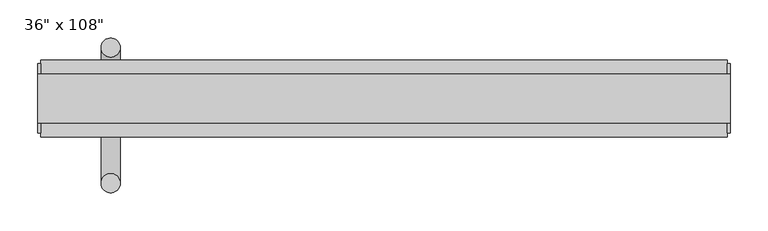
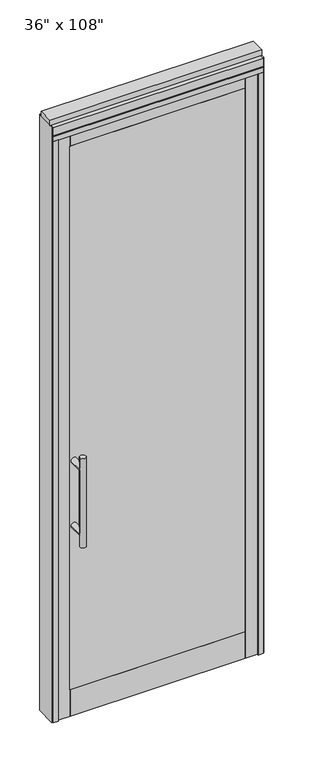
"""IFC4 building model written with IfcOpenShell, lengths in millimetres: furniture geometry."""

import ifcopenshell
import ifcopenshell.guid

model = None  # the IFC model being written
_history = None  # IfcOwnerHistory: only IFC2X3 demands one
_inside = {}  # id of a spatial element -> (the spatial element, [elements in it])
_under = {}  # id of a project, library or spatial element -> (it, [spatial elements below it])
_declared = {}  # id of a project -> (the project, [libraries it declares])
_typed = {}  # id of a type object -> (the type object, [elements of that type])
_made_of = {}  # id of a material, layer set ... -> (it, [elements and type objects made of it])


def new_model(schema):
    """Start an empty IFC model of exactly this schema.

    Asked for "IFC4X3", IfcOpenShell would pick the latest addendum, in which some entities
    have other attributes; the version numbers below select the first issue.
    IFC2X3 requires an IfcOwnerHistory on every rooted entity: one is made here for all.
    """
    global model, _history
    if schema == "IFC4X3":
        model = ifcopenshell.file(schema_version=(4, 3, 0, 0))
    else:
        model = ifcopenshell.file(schema=schema)
    _inside.clear()
    _under.clear()
    _declared.clear()
    _typed.clear()
    _made_of.clear()
    _history = None
    if model.schema == "IFC2X3":
        org = make("IfcOrganization", Name="unknown")
        user = make(
            "IfcPersonAndOrganization",
            ThePerson=make("IfcPerson", FamilyName="unknown"),
            TheOrganization=org,
        )
        app = make(
            "IfcApplication",
            ApplicationDeveloper=org,
            Version="unknown",
            ApplicationFullName="unknown",
            ApplicationIdentifier="unknown",
        )
        _history = make(
            "IfcOwnerHistory",
            OwningUser=user,
            OwningApplication=app,
            ChangeAction="ADDED",
            CreationDate=0,
        )
    return model


def make(cls, **values):
    """One entity of the class cls with the attributes given. An attribute that is None is left unset."""
    return model.create_entity(
        cls, **{name: value for name, value in values.items() if value is not None}
    )


def rooted(cls, **values):
    """An entity with a GlobalId (a new one), such as an element, a storey or a relation."""
    return make(cls, GlobalId=ifcopenshell.guid.new(), OwnerHistory=_history, **values)


def si_unit(unit_type, name, prefix=None):
    """IfcSIUnit, for example si_unit("LENGTHUNIT", "METRE", prefix="MILLI")."""
    return make("IfcSIUnit", UnitType=unit_type, Prefix=prefix, Name=name)


def assignment(units):
    """IfcUnitAssignment: the units of a project."""
    return None if units is None else make("IfcUnitAssignment", Units=units)


def point(xyz):
    """IfcCartesianPoint."""
    return None if xyz is None else make("IfcCartesianPoint", Coordinates=xyz)


def direction(xyz):
    """IfcDirection."""
    return None if xyz is None else make("IfcDirection", DirectionRatios=xyz)


def frame(location, z_axis=None, x_axis=None):
    """IfcAxis2Placement3D, a coordinate frame: its origin and axes. An axis left out is left unset."""
    return make(
        "IfcAxis2Placement3D",
        Location=point(location),
        Axis=direction(z_axis),
        RefDirection=direction(x_axis),
    )


def origin():
    """The frame at (0, 0, 0) with its axes left unset."""
    return frame((0.0, 0.0, 0.0))


def origin_with_axes():
    """The frame at (0, 0, 0) with the z axis (0, 0, 1) and the x axis (1, 0, 0) written out."""
    return frame((0.0, 0.0, 0.0), z_axis=(0.0, 0.0, 1.0), x_axis=(1.0, 0.0, 0.0))


def place(relative_to, where):
    """IfcLocalPlacement: puts the frame where relative to a parent placement (None: the world)."""
    return make(
        "IfcLocalPlacement", PlacementRelTo=relative_to, RelativePlacement=where
    )


def context(
    kind, dimensions, precision=None, world=None, true_north=None, identifier=None
):
    """IfcGeometricRepresentationContext, for example the 3D "Model" context."""
    return make(
        "IfcGeometricRepresentationContext",
        ContextIdentifier=identifier,
        ContextType=kind,
        CoordinateSpaceDimension=dimensions,
        Precision=precision,
        WorldCoordinateSystem=world,
        TrueNorth=true_north,
    )


def project(units=None, contexts=None):
    """IfcProject with its units and contexts."""
    return rooted(
        "IfcProject",
        Name="project",
        RepresentationContexts=contexts,
        UnitsInContext=assignment(units),
    )


def spatial(cls, under=None, at=None, **own):
    """A site, building, storey or space (cls), placed at a placement, below another one or the project."""
    s = rooted(cls, ObjectPlacement=at, **own)
    if under is not None:
        _under.setdefault(under.id(), (under, []))[1].append(s)
    return s


def polyline(points):
    """IfcPolyline through the points."""
    return make("IfcPolyline", Points=[point(p) for p in points])


def circle_curve(where, radius):
    """IfcCircle in the frame where."""
    return make("IfcCircle", Position=where, Radius=radius)


def ellipse_curve(where, semi_axis1, semi_axis2):
    """IfcEllipse in the frame where."""
    return make(
        "IfcEllipse", Position=where, SemiAxis1=semi_axis1, SemiAxis2=semi_axis2
    )


def outline(outer, holes=None, kind="AREA"):
    """IfcArbitraryClosedProfileDef: a profile drawn as a closed curve; with holes, ...WithVoids."""
    if holes is None:
        return make("IfcArbitraryClosedProfileDef", ProfileType=kind, OuterCurve=outer)
    return make(
        "IfcArbitraryProfileDefWithVoids",
        ProfileType=kind,
        OuterCurve=outer,
        InnerCurves=holes,
    )


def extrude(swept, where, along, depth):
    """IfcExtrudedAreaSolid: the profile swept, set in the frame where, extruded along a direction by depth."""
    return make(
        "IfcExtrudedAreaSolid",
        SweptArea=swept,
        Position=where,
        ExtrudedDirection=direction(along),
        Depth=depth,
    )


def shape(context_of_items, identifier, shape_type, items):
    """IfcShapeRepresentation: the items that make up one representation, for example the "Body"."""
    return make(
        "IfcShapeRepresentation",
        ContextOfItems=context_of_items,
        RepresentationIdentifier=identifier,
        RepresentationType=shape_type,
        Items=items,
    )


def source(mapping_origin, context_of_items, identifier, shape_type, items):
    """IfcRepresentationMap: a shape defined once, which mapped items show again and again."""
    return make(
        "IfcRepresentationMap",
        MappingOrigin=mapping_origin,
        MappedRepresentation=shape(context_of_items, identifier, shape_type, items),
    )


def transform(
    local_origin,
    x_axis=None,
    y_axis=None,
    z_axis=None,
    scale=None,
    scale2=None,
    scale3=None,
    uniform=True,
):
    """IfcCartesianTransformationOperator3D, or its non-uniform kind. x_axis, y_axis, z_axis: its Axis1, 2, 3."""
    if uniform:
        return make(
            "IfcCartesianTransformationOperator3D",
            Axis1=direction(x_axis),
            Axis2=direction(y_axis),
            LocalOrigin=point(local_origin),
            Scale=scale,
            Axis3=direction(z_axis),
        )
    return make(
        "IfcCartesianTransformationOperator3DnonUniform",
        Axis1=direction(x_axis),
        Axis2=direction(y_axis),
        LocalOrigin=point(local_origin),
        Scale=scale,
        Axis3=direction(z_axis),
        Scale2=scale2,
        Scale3=scale3,
    )


def mapped(mapping_source, mapping_target):
    """IfcMappedItem: shows the shape of a source again, moved by a transform."""
    return make(
        "IfcMappedItem", MappingSource=mapping_source, MappingTarget=mapping_target
    )


def made_of(thing, what):
    """Note that an element or type object is made of a material, layer set ...; save() writes the relation."""
    if what is not None:
        _made_of.setdefault(what.id(), (what, []))[1].append(thing)
    return thing


def element(
    cls,
    number,
    at=None,
    inside=None,
    cuts=None,
    type_object=None,
    material=None,
    context=None,
    identifier="Body",
    shape_type=None,
    held_by="IfcProductDefinitionShape",
    body=None,
    shapes=None,
    **own,
):
    """One element of the class cls, such as IfcWall. Its Tag is "e" and its number.

    at: its placement. inside: the storey or other place that contains it. cuts: it is an
    opening in that element (IfcRelVoidsElement). A single representation is given by context,
    identifier, shape_type and body (its items); several are given by shapes. held_by: the class
    of the entity that holds the representations. save() writes the other relations.
    """
    e = rooted(cls, Tag="e%d" % number, ObjectPlacement=at, **own)
    if body is not None:
        shapes = [shape(context, identifier, shape_type, body)]
    if shapes is not None:
        e.Representation = make(held_by, Representations=shapes)
    if inside is not None:
        _inside.setdefault(inside.id(), (inside, []))[1].append(e)
    if cuts is not None:
        rooted(
            "IfcRelVoidsElement", RelatingBuildingElement=cuts, RelatedOpeningElement=e
        )
    if type_object is not None:
        _typed.setdefault(type_object.id(), (type_object, []))[1].append(e)
    return made_of(e, material)


def aggregate(whole, parts):
    """IfcRelAggregates: a whole, such as a stair, and the parts it consists of."""
    return rooted("IfcRelAggregates", RelatingObject=whole, RelatedObjects=parts)


def save(model, path):
    """Write the relations noted so far, then the file.

    IfcRelAggregates (storeys below a building ...), IfcRelContainedInSpatialStructure (elements
    in a storey), IfcRelDefinesByType, IfcRelAssociatesMaterial and IfcRelDeclares: one each for
    every whole, place, type object, material and project.
    """
    for whole, parts in _under.values():
        aggregate(whole, parts)
    for where, things in _inside.values():
        rooted(
            "IfcRelContainedInSpatialStructure",
            RelatedElements=things,
            RelatingStructure=where,
        )
    for kind, things in _typed.values():
        rooted("IfcRelDefinesByType", RelatedObjects=things, RelatingType=kind)
    for what, things in _made_of.values():
        rooted("IfcRelAssociatesMaterial", RelatedObjects=things, RelatingMaterial=what)
    for by, libraries in _declared.values():
        rooted("IfcRelDeclares", RelatingContext=by, RelatedDefinitions=libraries)
    model.write(path)


def plane_surface(at):
    """IfcPlane: the flat surface through the origin of the frame at, square to its z axis."""
    return make("IfcPlane", Position=at)


def cylinder_surface(at, radius):
    """IfcCylindricalSurface: all points at the distance radius from the z axis of the frame at."""
    return make("IfcCylindricalSurface", Position=at, Radius=radius)


def advanced_brep(points, edges, surfaces, faces):
    """IfcAdvancedBrep: a solid bounded by faces that lie on surfaces and meet in shared edges.

    An edge is (start, end): straight between two places in points (the first is 0);
    or (start, end, curve); or (start, end, curve, False) where it runs against its curve.
    A face is (place in surfaces, loops), or (place, loops, False) where it looks against
    its surface's normal. A loop lists edges by number (the first is 1), with a minus sign
    where the edge is run from its end to its start. The first loop is the outer one.
    """
    corners = [point(p) for p in points]
    vertices = [make("IfcVertexPoint", VertexGeometry=c) for c in corners]
    made = []
    for start, end, *more in edges:
        made.append(
            make(
                "IfcEdgeCurve",
                EdgeStart=vertices[start],
                EdgeEnd=vertices[end],
                EdgeGeometry=more[0] if more else make("IfcPolyline", Points=[corners[start], corners[end]]),
                SameSense=more[1] if len(more) > 1 else True,
            )
        )
    hull = []
    for where, loops, *sense in faces:
        bounds = []
        for j, loop in enumerate(loops):
            ring = [make("IfcOrientedEdge", EdgeElement=made[abs(k) - 1], Orientation=k > 0) for k in loop]
            bounds.append(
                make(
                    "IfcFaceOuterBound" if j == 0 else "IfcFaceBound",
                    Bound=make("IfcEdgeLoop", EdgeList=ring),
                    Orientation=True,
                )
            )
        hull.append(make("IfcAdvancedFace", Bounds=bounds, FaceSurface=surfaces[where], SameSense=sense[0] if sense else True))
    return make("IfcAdvancedBrep", Outer=make("IfcClosedShell", CfsFaces=hull))


def furniture_453abb3c(model_context):
    return source(origin(), model_context, "Body", "SolidModel", [
        extrude(outline(polyline([(317.6614771, -48.9677216), (-437.7345229, -48.9677216), (-437.7345229, -38.8077216), (317.6614771, -38.8077216), (317.6614771, -48.9677216)])), frame((0.0, 0.0, 120.65), z_axis=(0.0, 0.0, 1.0), x_axis=(1.0, 0.0, 0.0)), (0.0, 0.0, 1.0), 2482.85),
        extrude(outline(polyline([(317.6614771, -14.6777216), (-437.7345229, -14.6777216), (-437.7345229, -4.5177216), (317.6614771, -4.5177216), (317.6614771, -14.6777216)])), frame((0.0, 0.0, 120.65), z_axis=(0.0, 0.0, 1.0), x_axis=(1.0, 0.0, 0.0)), (0.0, 0.0, 1.0), 2482.85),
        advanced_brep(
        [(-433.7975229, 63.0462784, 1219.2), (-408.3975229, 63.0462784, 1219.2), (-433.7975229, 63.0462784, 812.8), (-408.3975229, 63.0462784, 812.8), (-408.3975229, 63.0462784, 1164.336), (-408.3975229, 63.0462784, 867.664), (-433.7975229, 63.0462784, 867.664), (-433.7975229, 63.0462784, 1164.336), (-433.7975229, -4.5177216, 1164.336), (-408.3975229, -4.5177216, 1164.336), (-433.7975229, -4.5177216, 867.664), (-408.3975229, -4.5177216, 867.664)],
        [
            (0, 1, circle_curve(frame((-421.0975229, 63.0462784, 1219.2), z_axis=(0.0, 0.0, 1.0), x_axis=(1.0, 0.0, 0.0)), 12.7)),
            (1, 0, circle_curve(frame((-421.0975229, 63.0462784, 1219.2), z_axis=(0.0, 0.0, 1.0), x_axis=(1.0, 0.0, 0.0)), 12.7)),
            (2, 3, circle_curve(frame((-421.0975229, 63.0462784, 812.8), z_axis=(0.0, 0.0, -1.0), x_axis=(1.0, 0.0, 0.0)), 12.7)),
            (3, 2, circle_curve(frame((-421.0975229, 63.0462784, 812.8), z_axis=(0.0, 0.0, -1.0), x_axis=(1.0, 0.0, 0.0)), 12.7)),
            (1, 4),
            (4, 5),
            (5, 3),
            (2, 6),
            (6, 7),
            (7, 0),
            (6, 5, ellipse_curve(frame((-421.0975229, 63.0462784, 867.664), z_axis=(0.0, 0.707106781186565, 0.70710678118653), x_axis=(0.0, -0.70710678118653, 0.707106781186565)), 17.9605122, 12.7)),
            (4, 7, ellipse_curve(frame((-421.0975229, 63.0462784, 1164.336), z_axis=(0.0, 0.70710678118653, -0.7071067811865649), x_axis=(0.0, 0.7071067811865648, 0.7071067811865301)), 17.9605122, 12.7)),
            (7, 4, ellipse_curve(frame((-421.0975229, 63.0462784, 1164.336), z_axis=(0.0, 0.707106781186565, 0.70710678118653), x_axis=(0.0, -0.70710678118653, 0.707106781186565)), 17.9605122, 12.7)),
            (5, 6, ellipse_curve(frame((-421.0975229, 63.0462784, 867.664), z_axis=(0.0, 0.70710678118653, -0.7071067811865649), x_axis=(0.0, 0.7071067811865648, 0.7071067811865301)), 17.9605122, 12.7)),
            (8, 9, circle_curve(frame((-421.0975229, -4.5177216, 1164.336), z_axis=(0.0, -1.0, 0.0), x_axis=(1.0, 0.0, 0.0)), 12.7)),
            (9, 8, circle_curve(frame((-421.0975229, -4.5177216, 1164.336), z_axis=(0.0, -1.0, 0.0), x_axis=(1.0, 0.0, 0.0)), 12.7)),
            (8, 7),
            (4, 9),
            (10, 11, circle_curve(frame((-421.0975229, -4.5177216, 867.664), z_axis=(0.0, -1.0, 0.0), x_axis=(1.0, 0.0, 0.0)), 12.7)),
            (11, 10, circle_curve(frame((-421.0975229, -4.5177216, 867.664), z_axis=(0.0, -1.0, 0.0), x_axis=(1.0, 0.0, 0.0)), 12.7)),
            (10, 6),
            (5, 11),
        ],
        [
            plane_surface(frame((-408.3975229, 63.0462784, 1219.2), z_axis=(0.0, 0.0, 1.0), x_axis=(0.0, -1.0, 0.0))),
            plane_surface(frame((-408.3975229, 63.0462784, 812.8), z_axis=(0.0, 0.0, -1.0), x_axis=(0.0, 1.0, 0.0))),
            cylinder_surface(frame((-421.0975229, 63.0462784, 812.8), z_axis=(0.0, 0.0, 1.0), x_axis=(1.0, 0.0, 0.0)), 12.7),
            plane_surface(frame((-408.3975229, -4.5177216, 1164.336), z_axis=(0.0, -1.0, 0.0), x_axis=(0.0, 0.0, -1.0))),
            cylinder_surface(frame((-421.0975229, -4.5177216, 1164.336), z_axis=(0.0, 1.0, 0.0), x_axis=(1.0, 0.0, 0.0)), 12.7),
            plane_surface(frame((-408.3975229, -4.5177216, 867.664), z_axis=(0.0, -1.0, 0.0), x_axis=(0.0, 0.0, -1.0))),
            cylinder_surface(frame((-421.0975229, -4.5177216, 867.664), z_axis=(0.0, 1.0, 0.0), x_axis=(1.0, 0.0, 0.0)), 12.7),
        ],
        [
            (0, [[1, 2]]),
            (1, [[3, 4]]),
            (2, [[5, 6, 7, -3, 8, 9, 10, -2]]),
            (2, [[-9, 11, -6, 12]]),
            (2, [[-10, 13, -5, -1]]),
            (2, [[-7, 14, -8, -4]]),
            (3, [[15, 16]]),
            (4, [[17, -12, 18, -15]]),
            (4, [[-18, -13, -17, -16]]),
            (5, [[19, 20]]),
            (6, [[21, -14, 22, -19]]),
            (6, [[-22, -11, -21, -20]]),
        ],
    ),
        advanced_brep(
        [(-433.7975229, -116.5317216, 1219.2), (-408.3975229, -116.5317216, 1219.2), (-433.7975229, -116.5317216, 812.8), (-408.3975229, -116.5317216, 812.8), (-433.7975229, -116.5317216, 1164.336), (-433.7975229, -116.5317216, 867.664), (-408.3975229, -116.5317216, 867.664), (-408.3975229, -116.5317216, 1164.336), (-433.7975229, -48.9677216, 1164.336), (-408.3975229, -48.9677216, 1164.336), (-433.7975229, -48.9677216, 867.664), (-408.3975229, -48.9677216, 867.664)],
        [
            (0, 1, circle_curve(frame((-421.0975229, -116.5317216, 1219.2), z_axis=(0.0, 0.0, 1.0), x_axis=(1.0, 0.0, 0.0)), 12.7)),
            (1, 0, circle_curve(frame((-421.0975229, -116.5317216, 1219.2), z_axis=(0.0, 0.0, 1.0), x_axis=(1.0, 0.0, 0.0)), 12.7)),
            (2, 3, circle_curve(frame((-421.0975229, -116.5317216, 812.8), z_axis=(0.0, 0.0, -1.0), x_axis=(1.0, 0.0, 0.0)), 12.7)),
            (3, 2, circle_curve(frame((-421.0975229, -116.5317216, 812.8), z_axis=(0.0, 0.0, -1.0), x_axis=(1.0, 0.0, 0.0)), 12.7)),
            (0, 4),
            (4, 5),
            (5, 2),
            (3, 6),
            (6, 7),
            (7, 1),
            (7, 4, ellipse_curve(frame((-421.0975229, -116.5317216, 1164.336), z_axis=(0.0, -0.707106781186565, 0.70710678118653), x_axis=(0.0, 0.70710678118653, 0.707106781186565)), 17.9605122, 12.7)),
            (5, 6, ellipse_curve(frame((-421.0975229, -116.5317216, 867.664), z_axis=(0.0, -0.70710678118653, -0.7071067811865649), x_axis=(0.0, -0.7071067811865648, 0.7071067811865301)), 17.9605122, 12.7)),
            (4, 7, ellipse_curve(frame((-421.0975229, -116.5317216, 1164.336), z_axis=(0.0, -0.70710678118653, -0.7071067811865649), x_axis=(0.0, -0.7071067811865648, 0.7071067811865301)), 17.9605122, 12.7)),
            (6, 5, ellipse_curve(frame((-421.0975229, -116.5317216, 867.664), z_axis=(0.0, -0.707106781186565, 0.70710678118653), x_axis=(0.0, 0.70710678118653, 0.707106781186565)), 17.9605122, 12.7)),
            (8, 9, circle_curve(frame((-421.0975229, -48.9677216, 1164.336), z_axis=(0.0, 1.0, 0.0), x_axis=(1.0, 0.0, 0.0)), 12.7)),
            (9, 8, circle_curve(frame((-421.0975229, -48.9677216, 1164.336), z_axis=(0.0, 1.0, 0.0), x_axis=(1.0, 0.0, 0.0)), 12.7)),
            (9, 7),
            (4, 8),
            (10, 11, circle_curve(frame((-421.0975229, -48.9677216, 867.664), z_axis=(0.0, 1.0, 0.0), x_axis=(1.0, 0.0, 0.0)), 12.7)),
            (11, 10, circle_curve(frame((-421.0975229, -48.9677216, 867.664), z_axis=(0.0, 1.0, 0.0), x_axis=(1.0, 0.0, 0.0)), 12.7)),
            (11, 6),
            (5, 10),
        ],
        [
            plane_surface(frame((-408.3975229, -116.5317216, 1219.2), z_axis=(0.0, 0.0, 1.0), x_axis=(0.0, 1.0, 0.0))),
            plane_surface(frame((-408.3975229, -116.5317216, 812.8), z_axis=(0.0, 0.0, -1.0), x_axis=(0.0, -1.0, 0.0))),
            cylinder_surface(frame((-421.0975229, -116.5317216, 812.8), z_axis=(0.0, 0.0, 1.0), x_axis=(1.0, 0.0, 0.0)), 12.7),
            plane_surface(frame((-408.3975229, -48.9677216, 1164.336), z_axis=(0.0, 1.0, 0.0), x_axis=(0.0, 0.0, -1.0))),
            cylinder_surface(frame((-421.0975229, -48.9677216, 1164.336), z_axis=(0.0, -1.0, 0.0), x_axis=(1.0, 0.0, 0.0)), 12.7),
            plane_surface(frame((-408.3975229, -48.9677216, 867.664), z_axis=(0.0, 1.0, 0.0), x_axis=(0.0, 0.0, -1.0))),
            cylinder_surface(frame((-421.0975229, -48.9677216, 867.664), z_axis=(0.0, -1.0, 0.0), x_axis=(1.0, 0.0, 0.0)), 12.7),
        ],
        [
            (0, [[1, 2]]),
            (1, [[3, 4]]),
            (2, [[-1, 5, 6, 7, -4, 8, 9, 10]]),
            (2, [[-2, -10, 11, -5]]),
            (2, [[-3, -7, 12, -8]]),
            (2, [[13, -9, 14, -6]]),
            (3, [[15, 16]]),
            (4, [[-16, 17, -13, 18]]),
            (4, [[-15, -18, -11, -17]]),
            (5, [[19, 20]]),
            (6, [[-20, 21, -12, 22]]),
            (6, [[-19, -22, -14, -21]]),
        ],
    ),
        extrude(outline(polyline([(318.1694771, -48.9677216), (-437.2265229, -48.9677216), (-437.2265229, -4.5177216), (318.1694771, -4.5177216), (318.1694771, -48.9677216)])), frame((0.0, 0.0, 2603.5), z_axis=(0.0, 0.0, 1.0), x_axis=(1.0, 0.0, 0.0)), (0.0, 0.0, 1.0), 50.8),
        extrude(outline(polyline([(318.1694771, -48.9677216), (-437.2265229, -48.9677216), (-437.2265229, -4.5177216), (318.1694771, -4.5177216), (318.1694771, -48.9677216)])), origin_with_axes(), (0.0, 0.0, 1.0), 120.65),
        extrude(outline(polyline([(-437.2265229, -48.9677216), (-491.0745229, -48.9677216), (-491.0745229, -4.5177216), (-437.2265229, -4.5177216), (-437.2265229, -48.9677216)])), origin_with_axes(), (0.0, 0.0, 1.0), 2654.3),
        extrude(outline(polyline([(371.0014771, -48.9677216), (318.1694771, -48.9677216), (318.1694771, -4.5177216), (371.0014771, -4.5177216), (371.0014771, -48.9677216)])), origin_with_axes(), (0.0, 0.0, 1.0), 2654.3),
        extrude(outline(polyline([(-513.2995229, 46.2822784), (-491.0745229, 46.2822784), (-491.0745229, 20.8822784), (-478.3745229, 20.8822784), (-478.3745229, -4.5177216), (-491.0745229, -4.5177216), (-491.0745229, -55.3177216), (-513.2995229, -55.3177216), (-513.2995229, 46.2822784)])), origin_with_axes(), (0.0, 0.0, 1.0), 2654.3),
        extrude(outline(polyline([(-513.2995229, -55.3177216), (-513.2995229, 46.2822784), (393.2264771, 46.2822784), (393.2264771, -55.3177216), (-513.2995229, -55.3177216)])), frame((0.0, 0.0, 2654.3), z_axis=(0.0, 0.0, 1.0), x_axis=(1.0, 0.0, 0.0)), (0.0, 0.0, 1.0), 22.225),
        extrude(outline(polyline([(397.1634771, -50.3647216), (393.2264771, -50.3647216), (393.2264771, 41.3292784), (397.1634771, 41.3292784), (397.1634771, -50.3647216)])), origin_with_axes(), (0.0, 0.0, 1.0), 2717.8),
        extrude(outline(polyline([(-517.2365229, -50.3647216), (-517.2365229, 41.3292784), (-513.2995229, 41.3292784), (-513.2995229, -50.3647216), (-517.2365229, -50.3647216)])), origin_with_axes(), (0.0, 0.0, 1.0), 2717.8),
        extrude(outline(polyline([(393.2264771, 46.2822784), (393.2264771, -55.3177216), (371.0014771, -55.3177216), (371.0014771, -4.5177216), (358.3014771, -4.5177216), (358.3014771, 20.8822784), (371.0014771, 20.8822784), (371.0014771, 46.2822784), (393.2264771, 46.2822784)])), origin_with_axes(), (0.0, 0.0, 1.0), 2654.3),
        extrude(outline(polyline([(-55.3177216, 2681.478), (-55.3177216, 2717.8), (46.2822784, 2717.8), (46.2822784, 2681.478), (41.3292784, 2681.478), (41.3292784, 2676.525), (-50.3647216, 2676.525), (-50.3647216, 2681.478), (-55.3177216, 2681.478)])), frame((-513.2995229, 0.0, 0.0), z_axis=(1.0, 0.0, 0.0), x_axis=(0.0, 1.0, 0.0)), (0.0, 0.0, 1.0), 906.526),
        extrude(outline(polyline([(-517.2365229, -37.0297216), (-517.2365229, 27.9942784), (397.1634771, 27.9942784), (397.1634771, -37.0297216), (-517.2365229, -37.0297216)])), frame((0.0, 0.0, 2717.8), z_axis=(0.0, 0.0, 1.0), x_axis=(1.0, 0.0, 0.0)), (0.0, 0.0, 1.0), 25.4),
    ])


if __name__ == "__main__":
    model = new_model("IFC4")
    model_context = context("Model", 3, world=origin())
    ifc_project = project(units=[si_unit("LENGTHUNIT", "METRE", prefix="MILLI")], contexts=[model_context])
    site = spatial("IfcSite", under=ifc_project)
    building = spatial("IfcBuilding", under=site)
    placement = place(None, origin())
    furniture_shape = furniture_453abb3c(model_context)
    element("IfcFurniture", 1, ObjectType="36\" x 108\"", at=placement, inside=building, context=model_context, shape_type="MappedRepresentation", body=[
        mapped(furniture_shape, transform((0.0, 0.0, 0.0), x_axis=(1.0, 0.0, 0.0), y_axis=(0.0, 1.0, 0.0), z_axis=(0.0, 0.0, 1.0))),
    ])
    save(model, "model.ifc")
